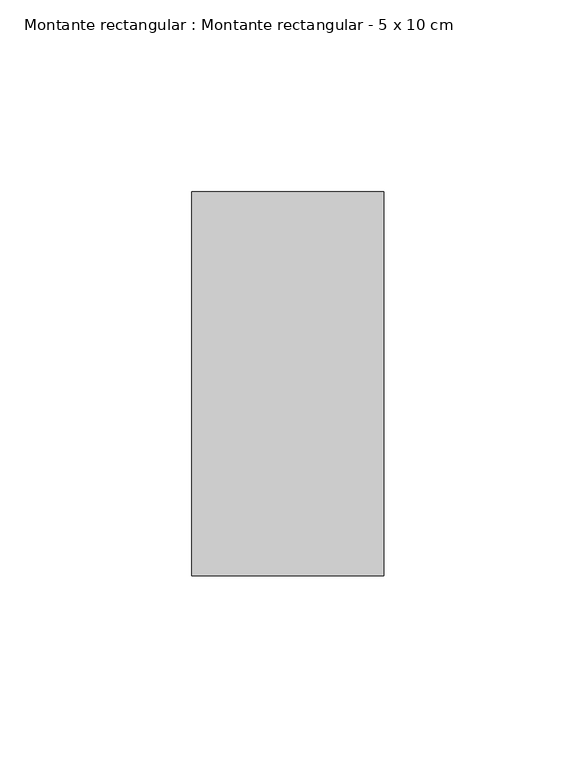
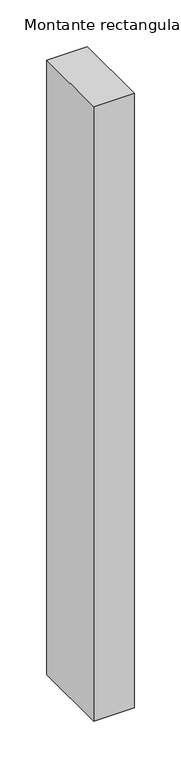
"""IFC4 building model written with IfcOpenShell, lengths in millimetres: member geometry, Montante rectangular : Montante rectangular - 5 x 10 cm."""

from ifc_helpers import new_model, si_unit, frame, origin, place, context, project, spatial, polyline, outline, extrude, source, transform, mapped, element, save


def montante_rectangular_montante_rectangular_5_x_10_cm_b2b3e2df(model_context):
    return source(origin(), model_context, "Body", "SweptSolid", [
        extrude(outline(polyline([(-50.0, 50.0), (0.0, 50.0), (0.0, -50.0), (-50.0, -50.0), (-50.0, 50.0)])), frame((0.0, 0.0, -801.7346293), z_axis=(0.0, 0.0, 1.0), x_axis=(1.0, 0.0, 0.0)), (0.0, 0.0, 1.0), 801.7346293),
    ])


if __name__ == "__main__":
    model = new_model("IFC4")
    model_context = context("Model", 3, world=origin())
    ifc_project = project(units=[si_unit("LENGTHUNIT", "METRE", prefix="MILLI")], contexts=[model_context])
    site = spatial("IfcSite", under=ifc_project)
    building = spatial("IfcBuilding", under=site)
    placement = place(None, origin())
    montante_rectangular_montante_rectangular_5_x_10_cm_shape = montante_rectangular_montante_rectangular_5_x_10_cm_b2b3e2df(model_context)
    element("IfcMember", 1, ObjectType="Montante rectangular : Montante rectangular - 5 x 10 cm", at=placement, inside=building, context=model_context, shape_type="MappedRepresentation", body=[
        mapped(montante_rectangular_montante_rectangular_5_x_10_cm_shape, transform((0.0, 0.0, 0.0), x_axis=(1.0, 0.0, 0.0), y_axis=(0.0, 1.0, 0.0), z_axis=(0.0, 0.0, 1.0))),
    ])
    save(model, "model.ifc")
